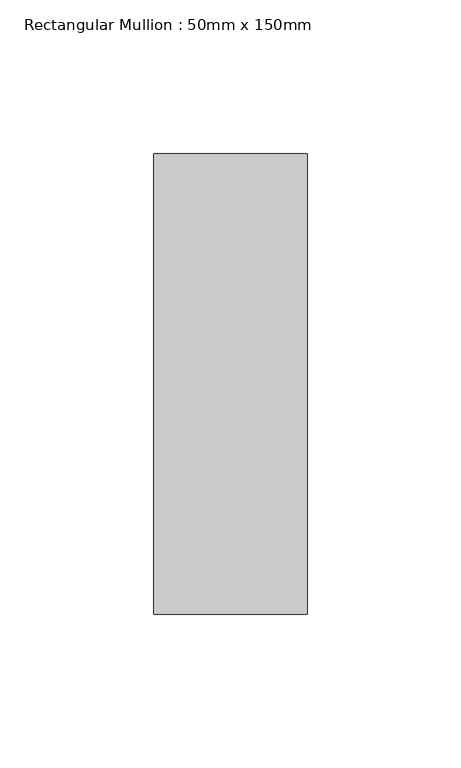
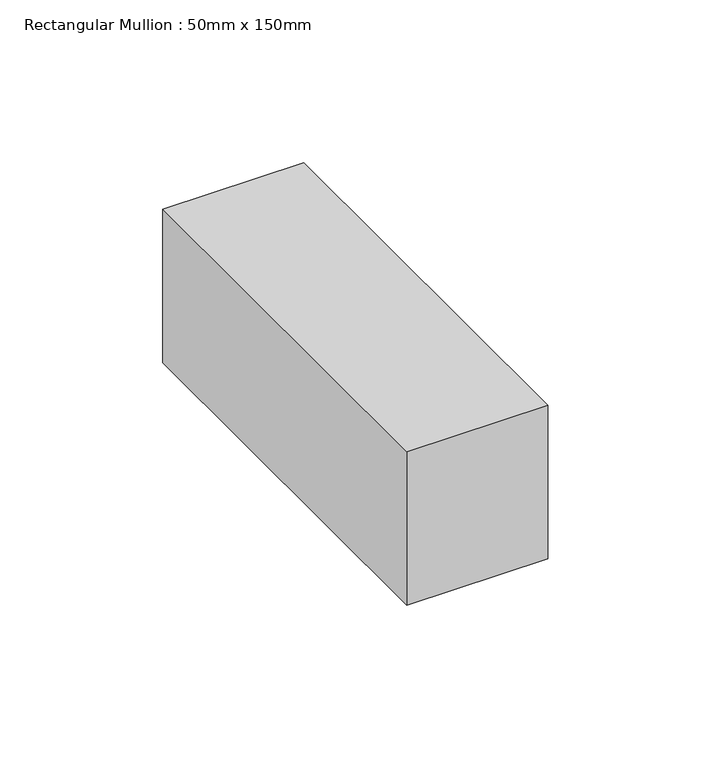
"""IFC4 building model written with IfcOpenShell, lengths in millimetres: member geometry, Rectangular Mullion : 50mm x 150mm."""

from ifc_helpers import new_model, si_unit, frame, origin, place, context, project, spatial, polyline, outline, extrude, source, transform, mapped, element, save


def rectangular_mullion_50mm_x_150mm_b5a2a5aa(model_context):
    return source(origin(), model_context, "Body", "SweptSolid", [
        extrude(outline(polyline([(25.0, 75.0), (25.0, -75.0), (-25.0, -75.0), (-25.0, 75.0), (25.0, 75.0)])), frame((0.0, 0.0, -57.5015602), z_axis=(0.0, 0.0, 1.0), x_axis=(1.0, 0.0, 0.0)), (0.0, 0.0, 1.0), 57.5015602),
    ])


if __name__ == "__main__":
    model = new_model("IFC4")
    model_context = context("Model", 3, world=origin())
    ifc_project = project(units=[si_unit("LENGTHUNIT", "METRE", prefix="MILLI")], contexts=[model_context])
    site = spatial("IfcSite", under=ifc_project)
    building = spatial("IfcBuilding", under=site)
    placement = place(None, origin())
    rectangular_mullion_50mm_x_150mm_shape = rectangular_mullion_50mm_x_150mm_b5a2a5aa(model_context)
    element("IfcMember", 1, ObjectType="Rectangular Mullion : 50mm x 150mm", at=placement, inside=building, context=model_context, shape_type="MappedRepresentation", body=[
        mapped(rectangular_mullion_50mm_x_150mm_shape, transform((0.0, 0.0, 0.0), x_axis=(1.0, 0.0, 0.0), y_axis=(0.0, 1.0, 0.0), z_axis=(0.0, 0.0, 1.0))),
    ])
    save(model, "model.ifc")
